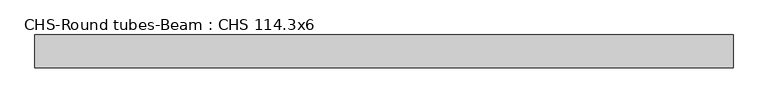
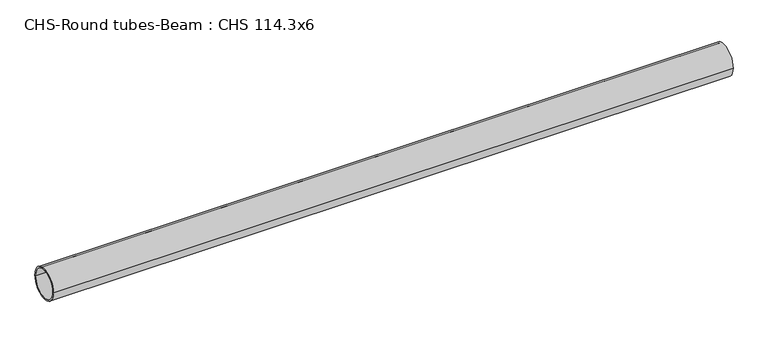
"""IFC4 building model written with IfcOpenShell, lengths in millimetres: beam geometry, CHS-Round tubes-Beam : CHS 114.3x6."""

from ifc_helpers import new_model, si_unit, point, frame, origin, origin_2d, place, context, project, spatial, circle_curve, trimmed, segment, composite_curve, outline, extrude, source, transform, mapped, element, save


def chs_round_tubes_beam_chs_114_3x6_94481cdc(model_context):
    return source(origin(), model_context, "Body", "SweptSolid", [
        extrude(outline(composite_curve([segment(trimmed(circle_curve(origin_2d(), 57.15), [point((57.15, 0.0))], [point((-57.15, 0.0))], False, "CARTESIAN"), True, "CONTINUOUS"), segment(trimmed(circle_curve(origin_2d(), 57.15), [point((-57.15, 0.0))], [point((57.15, 0.0))], False, "CARTESIAN"), True, "CONTINUOUS")], self_intersect=False), holes=[composite_curve([segment(trimmed(circle_curve(origin_2d(), 51.15), [point((51.15, 0.0))], [point((-51.15, 0.0))], True, "CARTESIAN"), True, "CONTINUOUS"), segment(trimmed(circle_curve(origin_2d(), 51.15), [point((-51.15, 0.0))], [point((51.15, 0.0))], True, "CARTESIAN"), True, "CONTINUOUS")], self_intersect=False)]), frame((-1205.2405386, 0.0, 0.0), z_axis=(1.0, 0.0, 0.0), x_axis=(0.0, 1.0, 0.0)), (0.0, 0.0, 1.0), 2434.1061394),
    ])


if __name__ == "__main__":
    model = new_model("IFC4")
    model_context = context("Model", 3, world=origin())
    ifc_project = project(units=[si_unit("LENGTHUNIT", "METRE", prefix="MILLI")], contexts=[model_context])
    site = spatial("IfcSite", under=ifc_project)
    building = spatial("IfcBuilding", under=site)
    placement = place(None, origin())
    chs_round_tubes_beam_chs_114_3x6_shape = chs_round_tubes_beam_chs_114_3x6_94481cdc(model_context)
    element("IfcBeam", 1, ObjectType="CHS-Round tubes-Beam : CHS 114.3x6", at=placement, inside=building, context=model_context, shape_type="MappedRepresentation", body=[
        mapped(chs_round_tubes_beam_chs_114_3x6_shape, transform((0.0, 0.0, 0.0), x_axis=(1.0, 0.0, 0.0), y_axis=(0.0, 1.0, 0.0), z_axis=(0.0, 0.0, 1.0))),
    ])
    save(model, "model.ifc")
